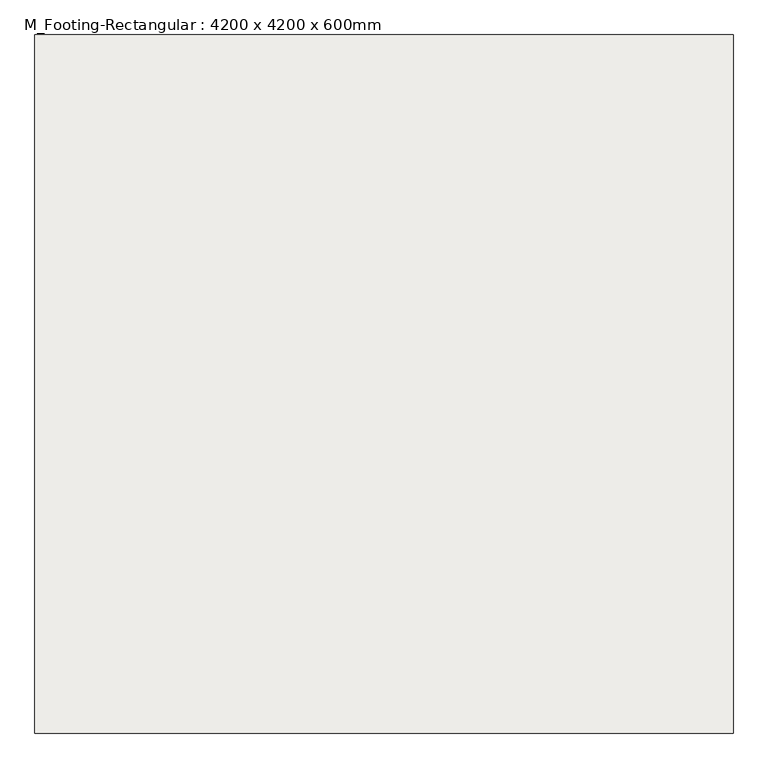
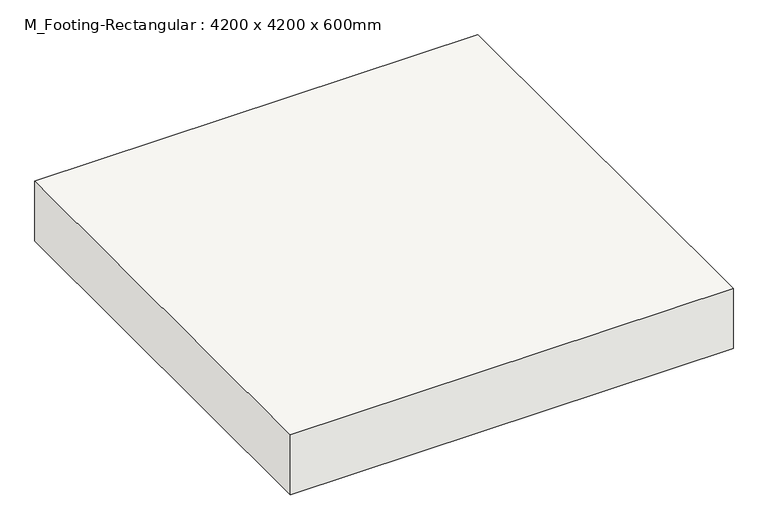
"""IFC4 building model written with IfcOpenShell, lengths in millimetres: slab geometry, M_Footing-Rectangular : 4200 x 4200 x 600mm."""

from ifc_helpers import new_model, si_unit, frame, origin, place, context, project, spatial, polyline, outline, extrude, source, transform, mapped, element, save


def m_footing_rectangular_4200_x_4200_x_600mm_9b0a5eb4(model_context):
    return source(origin(), model_context, "Body", "SweptSolid", [
        extrude(outline(polyline([(2100.0, 2100.0), (2100.0, -2100.0), (-2100.0, -2100.0), (-2100.0, 2100.0), (2100.0, 2100.0)])), frame((0.0, 0.0, -600.0), z_axis=(0.0, 0.0, 1.0), x_axis=(1.0, 0.0, 0.0)), (0.0, 0.0, 1.0), 600.0),
    ])


if __name__ == "__main__":
    model = new_model("IFC4")
    model_context = context("Model", 3, world=origin())
    ifc_project = project(units=[si_unit("LENGTHUNIT", "METRE", prefix="MILLI")], contexts=[model_context])
    site = spatial("IfcSite", under=ifc_project)
    building = spatial("IfcBuilding", under=site)
    placement = place(None, origin())
    m_footing_rectangular_4200_x_4200_x_600mm_shape = m_footing_rectangular_4200_x_4200_x_600mm_9b0a5eb4(model_context)
    element("IfcSlab", 1, ObjectType="M_Footing-Rectangular : 4200 x 4200 x 600mm", at=placement, inside=building, context=model_context, shape_type="MappedRepresentation", body=[
        mapped(m_footing_rectangular_4200_x_4200_x_600mm_shape, transform((0.0, 0.0, 0.0), x_axis=(1.0, 0.0, 0.0), y_axis=(0.0, 1.0, 0.0), z_axis=(0.0, 0.0, 1.0))),
    ])
    save(model, "model.ifc")
